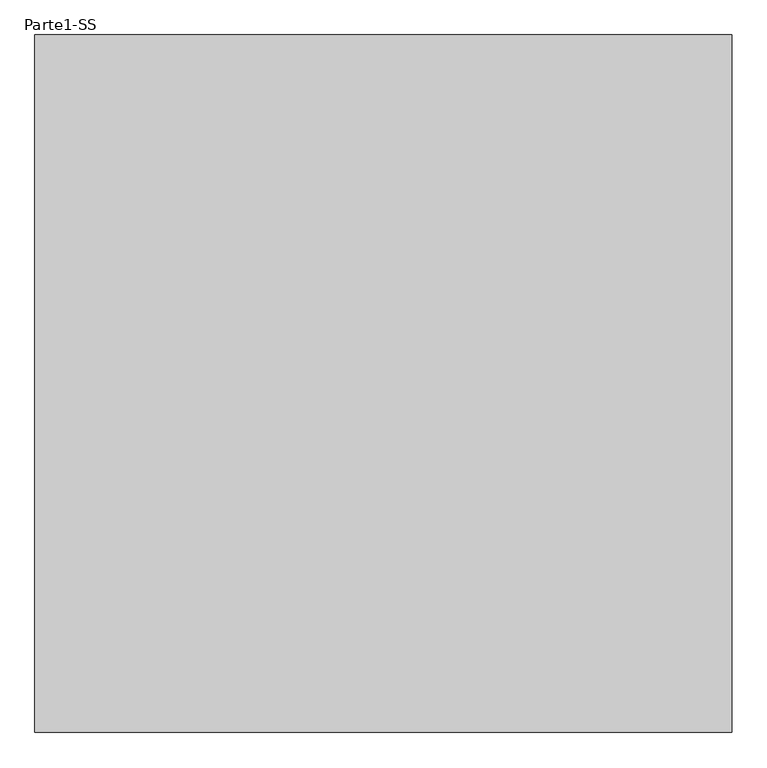
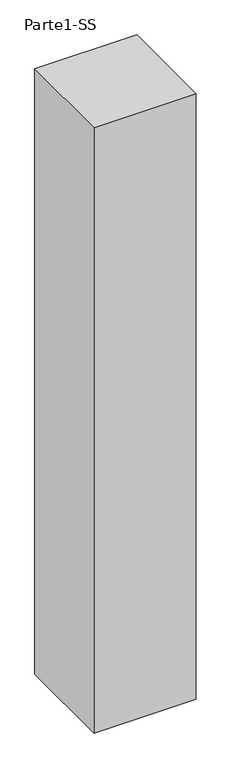
"""IFC4 building model written with IfcOpenShell, lengths in millimetres: proxy geometry, Parte1-SS."""

from ifc_helpers import new_model, si_unit, frame, origin, place, context, project, spatial, polyline, outline, extrude, source, transform, mapped, element, save


def parte1_ss_99d72546(model_context):
    return source(origin(), model_context, "Body", "SweptSolid", [
        extrude(outline(polyline([(4000.0, 4000.0), (4000.0, 0.0), (0.0, 0.0), (0.0, 4000.0), (4000.0, 4000.0)])), frame((0.0, 0.0, 25000.0), z_axis=(0.0, 0.0, 1.0), x_axis=(1.0, 0.0, 0.0)), (0.0, 0.0, 1.0), 25000.0),
    ])


if __name__ == "__main__":
    model = new_model("IFC4")
    model_context = context("Model", 3, world=origin())
    ifc_project = project(units=[si_unit("LENGTHUNIT", "METRE", prefix="MILLI")], contexts=[model_context])
    site = spatial("IfcSite", under=ifc_project)
    building = spatial("IfcBuilding", under=site)
    placement = place(None, origin())
    parte1_ss_shape = parte1_ss_99d72546(model_context)
    element("IfcBuildingElementProxy", 1, Name="Parte1-SS", ObjectType="Parte1-SS", at=placement, inside=building, context=model_context, shape_type="MappedRepresentation", body=[
        mapped(parte1_ss_shape, transform((0.0, 0.0, 0.0), x_axis=(1.0, 0.0, 0.0), y_axis=(0.0, 1.0, 0.0), z_axis=(0.0, 0.0, 1.0))),
    ])
    save(model, "model.ifc")
